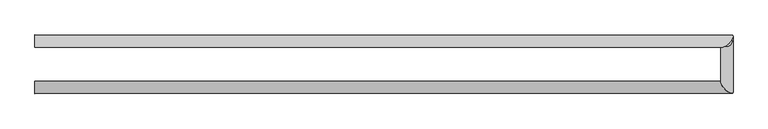
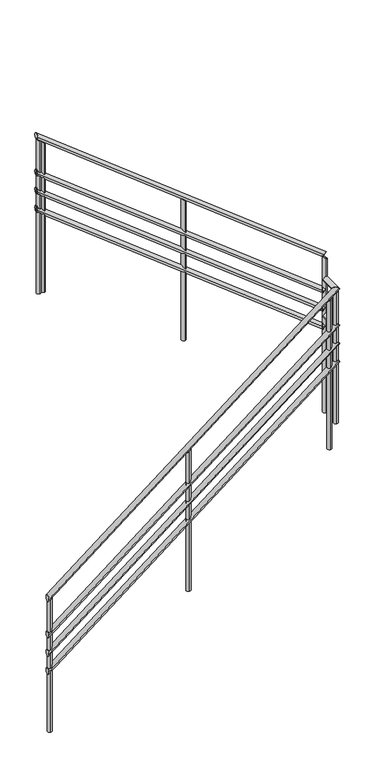
"""IFC4 building model written with IfcOpenShell, lengths in millimetres: railing geometry."""

import ifcopenshell
import ifcopenshell.guid

model = None  # the IFC model being written
_history = None  # IfcOwnerHistory: only IFC2X3 demands one
_inside = {}  # id of a spatial element -> (the spatial element, [elements in it])
_under = {}  # id of a project, library or spatial element -> (it, [spatial elements below it])
_declared = {}  # id of a project -> (the project, [libraries it declares])
_typed = {}  # id of a type object -> (the type object, [elements of that type])
_made_of = {}  # id of a material, layer set ... -> (it, [elements and type objects made of it])


def new_model(schema):
    """Start an empty IFC model of exactly this schema.

    Asked for "IFC4X3", IfcOpenShell would pick the latest addendum, in which some entities
    have other attributes; the version numbers below select the first issue.
    IFC2X3 requires an IfcOwnerHistory on every rooted entity: one is made here for all.
    """
    global model, _history
    if schema == "IFC4X3":
        model = ifcopenshell.file(schema_version=(4, 3, 0, 0))
    else:
        model = ifcopenshell.file(schema=schema)
    _inside.clear()
    _under.clear()
    _declared.clear()
    _typed.clear()
    _made_of.clear()
    _history = None
    if model.schema == "IFC2X3":
        org = make("IfcOrganization", Name="unknown")
        user = make(
            "IfcPersonAndOrganization",
            ThePerson=make("IfcPerson", FamilyName="unknown"),
            TheOrganization=org,
        )
        app = make(
            "IfcApplication",
            ApplicationDeveloper=org,
            Version="unknown",
            ApplicationFullName="unknown",
            ApplicationIdentifier="unknown",
        )
        _history = make(
            "IfcOwnerHistory",
            OwningUser=user,
            OwningApplication=app,
            ChangeAction="ADDED",
            CreationDate=0,
        )
    return model


def make(cls, **values):
    """One entity of the class cls with the attributes given. An attribute that is None is left unset."""
    return model.create_entity(
        cls, **{name: value for name, value in values.items() if value is not None}
    )


def rooted(cls, **values):
    """An entity with a GlobalId (a new one), such as an element, a storey or a relation."""
    return make(cls, GlobalId=ifcopenshell.guid.new(), OwnerHistory=_history, **values)


def si_unit(unit_type, name, prefix=None):
    """IfcSIUnit, for example si_unit("LENGTHUNIT", "METRE", prefix="MILLI")."""
    return make("IfcSIUnit", UnitType=unit_type, Prefix=prefix, Name=name)


def assignment(units):
    """IfcUnitAssignment: the units of a project."""
    return None if units is None else make("IfcUnitAssignment", Units=units)


def point(xyz):
    """IfcCartesianPoint."""
    return None if xyz is None else make("IfcCartesianPoint", Coordinates=xyz)


def direction(xyz):
    """IfcDirection."""
    return None if xyz is None else make("IfcDirection", DirectionRatios=xyz)


def frame(location, z_axis=None, x_axis=None):
    """IfcAxis2Placement3D, a coordinate frame: its origin and axes. An axis left out is left unset."""
    return make(
        "IfcAxis2Placement3D",
        Location=point(location),
        Axis=direction(z_axis),
        RefDirection=direction(x_axis),
    )


def origin():
    """The frame at (0, 0, 0) with its axes left unset."""
    return frame((0.0, 0.0, 0.0))


def place(relative_to, where):
    """IfcLocalPlacement: puts the frame where relative to a parent placement (None: the world)."""
    return make(
        "IfcLocalPlacement", PlacementRelTo=relative_to, RelativePlacement=where
    )


def context(
    kind, dimensions, precision=None, world=None, true_north=None, identifier=None
):
    """IfcGeometricRepresentationContext, for example the 3D "Model" context."""
    return make(
        "IfcGeometricRepresentationContext",
        ContextIdentifier=identifier,
        ContextType=kind,
        CoordinateSpaceDimension=dimensions,
        Precision=precision,
        WorldCoordinateSystem=world,
        TrueNorth=true_north,
    )


def project(units=None, contexts=None):
    """IfcProject with its units and contexts."""
    return rooted(
        "IfcProject",
        Name="project",
        RepresentationContexts=contexts,
        UnitsInContext=assignment(units),
    )


def spatial(cls, under=None, at=None, **own):
    """A site, building, storey or space (cls), placed at a placement, below another one or the project."""
    s = rooted(cls, ObjectPlacement=at, **own)
    if under is not None:
        _under.setdefault(under.id(), (under, []))[1].append(s)
    return s


def circle_curve(where, radius):
    """IfcCircle in the frame where."""
    return make("IfcCircle", Position=where, Radius=radius)


def ellipse_curve(where, semi_axis1, semi_axis2):
    """IfcEllipse in the frame where."""
    return make(
        "IfcEllipse", Position=where, SemiAxis1=semi_axis1, SemiAxis2=semi_axis2
    )


def shape(context_of_items, identifier, shape_type, items):
    """IfcShapeRepresentation: the items that make up one representation, for example the "Body"."""
    return make(
        "IfcShapeRepresentation",
        ContextOfItems=context_of_items,
        RepresentationIdentifier=identifier,
        RepresentationType=shape_type,
        Items=items,
    )


def source(mapping_origin, context_of_items, identifier, shape_type, items):
    """IfcRepresentationMap: a shape defined once, which mapped items show again and again."""
    return make(
        "IfcRepresentationMap",
        MappingOrigin=mapping_origin,
        MappedRepresentation=shape(context_of_items, identifier, shape_type, items),
    )


def transform(
    local_origin,
    x_axis=None,
    y_axis=None,
    z_axis=None,
    scale=None,
    scale2=None,
    scale3=None,
    uniform=True,
):
    """IfcCartesianTransformationOperator3D, or its non-uniform kind. x_axis, y_axis, z_axis: its Axis1, 2, 3."""
    if uniform:
        return make(
            "IfcCartesianTransformationOperator3D",
            Axis1=direction(x_axis),
            Axis2=direction(y_axis),
            LocalOrigin=point(local_origin),
            Scale=scale,
            Axis3=direction(z_axis),
        )
    return make(
        "IfcCartesianTransformationOperator3DnonUniform",
        Axis1=direction(x_axis),
        Axis2=direction(y_axis),
        LocalOrigin=point(local_origin),
        Scale=scale,
        Axis3=direction(z_axis),
        Scale2=scale2,
        Scale3=scale3,
    )


def mapped(mapping_source, mapping_target):
    """IfcMappedItem: shows the shape of a source again, moved by a transform."""
    return make(
        "IfcMappedItem", MappingSource=mapping_source, MappingTarget=mapping_target
    )


def made_of(thing, what):
    """Note that an element or type object is made of a material, layer set ...; save() writes the relation."""
    if what is not None:
        _made_of.setdefault(what.id(), (what, []))[1].append(thing)
    return thing


def element(
    cls,
    number,
    at=None,
    inside=None,
    cuts=None,
    type_object=None,
    material=None,
    context=None,
    identifier="Body",
    shape_type=None,
    held_by="IfcProductDefinitionShape",
    body=None,
    shapes=None,
    **own,
):
    """One element of the class cls, such as IfcWall. Its Tag is "e" and its number.

    at: its placement. inside: the storey or other place that contains it. cuts: it is an
    opening in that element (IfcRelVoidsElement). A single representation is given by context,
    identifier, shape_type and body (its items); several are given by shapes. held_by: the class
    of the entity that holds the representations. save() writes the other relations.
    """
    e = rooted(cls, Tag="e%d" % number, ObjectPlacement=at, **own)
    if body is not None:
        shapes = [shape(context, identifier, shape_type, body)]
    if shapes is not None:
        e.Representation = make(held_by, Representations=shapes)
    if inside is not None:
        _inside.setdefault(inside.id(), (inside, []))[1].append(e)
    if cuts is not None:
        rooted(
            "IfcRelVoidsElement", RelatingBuildingElement=cuts, RelatedOpeningElement=e
        )
    if type_object is not None:
        _typed.setdefault(type_object.id(), (type_object, []))[1].append(e)
    return made_of(e, material)


def aggregate(whole, parts):
    """IfcRelAggregates: a whole, such as a stair, and the parts it consists of."""
    return rooted("IfcRelAggregates", RelatingObject=whole, RelatedObjects=parts)


def save(model, path):
    """Write the relations noted so far, then the file.

    IfcRelAggregates (storeys below a building ...), IfcRelContainedInSpatialStructure (elements
    in a storey), IfcRelDefinesByType, IfcRelAssociatesMaterial and IfcRelDeclares: one each for
    every whole, place, type object, material and project.
    """
    for whole, parts in _under.values():
        aggregate(whole, parts)
    for where, things in _inside.values():
        rooted(
            "IfcRelContainedInSpatialStructure",
            RelatedElements=things,
            RelatingStructure=where,
        )
    for kind, things in _typed.values():
        rooted("IfcRelDefinesByType", RelatedObjects=things, RelatingType=kind)
    for what, things in _made_of.values():
        rooted("IfcRelAssociatesMaterial", RelatedObjects=things, RelatingMaterial=what)
    for by, libraries in _declared.values():
        rooted("IfcRelDeclares", RelatingContext=by, RelatedDefinitions=libraries)
    model.write(path)


def plane_surface(at):
    """IfcPlane: the flat surface through the origin of the frame at, square to its z axis."""
    return make("IfcPlane", Position=at)


def cylinder_surface(at, radius):
    """IfcCylindricalSurface: all points at the distance radius from the z axis of the frame at."""
    return make("IfcCylindricalSurface", Position=at, Radius=radius)


def advanced_brep(points, edges, surfaces, faces):
    """IfcAdvancedBrep: a solid bounded by faces that lie on surfaces and meet in shared edges.

    An edge is (start, end): straight between two places in points (the first is 0);
    or (start, end, curve); or (start, end, curve, False) where it runs against its curve.
    A face is (place in surfaces, loops), or (place, loops, False) where it looks against
    its surface's normal. A loop lists edges by number (the first is 1), with a minus sign
    where the edge is run from its end to its start. The first loop is the outer one.
    """
    corners = [point(p) for p in points]
    vertices = [make("IfcVertexPoint", VertexGeometry=c) for c in corners]
    made = []
    for start, end, *more in edges:
        made.append(
            make(
                "IfcEdgeCurve",
                EdgeStart=vertices[start],
                EdgeEnd=vertices[end],
                EdgeGeometry=more[0] if more else make("IfcPolyline", Points=[corners[start], corners[end]]),
                SameSense=more[1] if len(more) > 1 else True,
            )
        )
    hull = []
    for where, loops, *sense in faces:
        bounds = []
        for j, loop in enumerate(loops):
            ring = [make("IfcOrientedEdge", EdgeElement=made[abs(k) - 1], Orientation=k > 0) for k in loop]
            bounds.append(
                make(
                    "IfcFaceOuterBound" if j == 0 else "IfcFaceBound",
                    Bound=make("IfcEdgeLoop", EdgeList=ring),
                    Orientation=True,
                )
            )
        hull.append(make("IfcAdvancedFace", Bounds=bounds, FaceSurface=surfaces[where], SameSense=sense[0] if sense else True))
    return make("IfcAdvancedBrep", Outer=make("IfcClosedShell", CfsFaces=hull))


def railing_baf35b28(model_context):
    return source(origin(), model_context, "Body", "AdvancedBrep", [
        advanced_brep(
        [(-1795.9784025, 14829.6868987, 1982.6086957), (-1795.9784025, 14869.6868987, 1982.6086957), (469.7716975, 14829.6868987, 3755.8044261), (438.2714975, 14869.6868987, 3731.1520956)],
        [
            (0, 1, ellipse_curve(frame((-1795.9784025, 14849.6868987, 1982.6086957), z_axis=(-1.0, 0.0, 0.0), x_axis=(0.0, 0.0, -1.0)), 25.3966641, 20.0)),
            (1, 0, ellipse_curve(frame((-1795.9784025, 14849.6868987, 1982.6086957), z_axis=(-1.0, 0.0, 0.0), x_axis=(0.0, 0.0, -1.0)), 25.3966641, 20.0)),
            (2, 3, ellipse_curve(frame((454.0215975, 14849.6868987, 3743.4782609), z_axis=(0.5568501264307829, 0.7071067811865476, 0.43579575111974295), x_axis=(-0.556850126430783, 0.7071067811865474, -0.4357957511197431)), 28.2842712, 20.0)),
            (3, 2, ellipse_curve(frame((454.0215975, 14849.6868987, 3743.4782609), z_axis=(0.5568501264307829, 0.7071067811865476, 0.43579575111974295), x_axis=(-0.556850126430783, 0.7071067811865474, -0.4357957511197431)), 28.2842712, 20.0)),
            (0, 2),
            (3, 1),
        ],
        [
            plane_surface(frame((-1795.9784025, 14849.6868987, 1982.6086957), z_axis=(-1.0, 0.0, 0.0), x_axis=(0.0, 1.0, 0.0))),
            plane_surface(frame((454.0215975, 14849.6868987, 3743.4782609), z_axis=(0.556850126430783, 0.7071067811865477, 0.43579575111974306), x_axis=(0.8306129885175292, -0.4740504975807795, -0.29216123810217254))),
            cylinder_surface(frame((-1795.9784025, 14849.6868987, 1982.6086957), z_axis=(-0.787505001007586, 0.0, -0.6163082616581106), x_axis=(0.0, 1.0, 0.0)), 20.0),
        ],
        [
            (0, [[1, 2]]),
            (1, [[3, 4]]),
            (2, [[-1, 5, -4, 6]]),
            (2, [[-2, -6, -3, -5]]),
        ],
    ),
        advanced_brep(
        [(474.0215975, 14833.9367987, 3743.4782609), (434.0215975, 14865.4369987, 3743.4782609), (474.0215975, 15015.4369987, 3743.4782609), (434.0215975, 14983.9367987, 3743.4782609)],
        [
            (0, 1, ellipse_curve(frame((454.0215975, 14849.6868987, 3743.4782609), z_axis=(-0.5568501264307829, -0.7071067811865476, -0.43579575111974295), x_axis=(0.556850126430783, -0.7071067811865475, 0.43579575111974306)), 28.2842712, 20.0)),
            (1, 0, ellipse_curve(frame((454.0215975, 14849.6868987, 3743.4782609), z_axis=(-0.5568501264307829, -0.7071067811865476, -0.43579575111974295), x_axis=(0.556850126430783, -0.7071067811865475, 0.43579575111974306)), 28.2842712, 20.0)),
            (2, 3, ellipse_curve(frame((454.0215975, 14999.6868987, 3743.4782609), z_axis=(-0.5568501264307829, 0.7071067811865476, 0.4357957511197431), x_axis=(-0.556850126430783, -0.7071067811865475, 0.43579575111974317)), 28.2842712, 20.0)),
            (3, 2, ellipse_curve(frame((454.0215975, 14999.6868987, 3743.4782609), z_axis=(-0.5568501264307829, 0.7071067811865476, 0.4357957511197431), x_axis=(-0.556850126430783, -0.7071067811865475, 0.43579575111974317)), 28.2842712, 20.0)),
            (0, 2),
            (3, 1),
        ],
        [
            plane_surface(frame((454.0215975, 14849.6868987, 3743.4782609), z_axis=(-0.556850126430783, -0.7071067811865477, -0.43579575111974306), x_axis=(0.8306129885175292, -0.4740504975807795, -0.29216123810217254))),
            plane_surface(frame((454.0215975, 14999.6868987, 3743.4782609), z_axis=(-0.5568501264307829, 0.7071067811865476, 0.4357957511197431), x_axis=(0.8306129885175292, 0.4740504975807794, 0.29216123810217254))),
            cylinder_surface(frame((454.0215975, 14849.6868987, 3743.4782609), z_axis=(0.0, -1.0, 0.0), x_axis=(-1.0, 0.0, 0.0)), 20.0),
        ],
        [
            (0, [[1, 2]]),
            (1, [[3, 4]]),
            (2, [[-1, 5, -4, 6]]),
            (2, [[-2, -6, -3, -5]]),
        ],
    ),
        advanced_brep(
        [(469.7716975, 15019.6868987, 3926.8042695), (438.2714975, 14979.6868987, 3951.4566), (-1795.9784025, 15019.6868987, 5700.0), (-1795.9784025, 14979.6868987, 5700.0)],
        [
            (0, 1, ellipse_curve(frame((454.0215975, 14999.6868987, 3939.1304348), z_axis=(0.5568501264307829, -0.7071067811865476, -0.4357957511197431), x_axis=(0.5568501264307829, 0.7071067811865476, -0.4357957511197431)), 28.2842712, 20.0)),
            (1, 0, ellipse_curve(frame((454.0215975, 14999.6868987, 3939.1304348), z_axis=(0.5568501264307829, -0.7071067811865476, -0.4357957511197431), x_axis=(0.5568501264307829, 0.7071067811865476, -0.4357957511197431)), 28.2842712, 20.0)),
            (2, 3, ellipse_curve(frame((-1795.9784025, 14999.6868987, 5700.0), z_axis=(-1.0, 0.0, 0.0), x_axis=(0.0, 0.0, -1.0)), 25.3966641, 20.0)),
            (3, 2, ellipse_curve(frame((-1795.9784025, 14999.6868987, 5700.0), z_axis=(-1.0, 0.0, 0.0), x_axis=(0.0, 0.0, -1.0)), 25.3966641, 20.0)),
            (0, 2),
            (3, 1),
        ],
        [
            plane_surface(frame((454.0215975, 14999.6868987, 3939.1304348), z_axis=(0.5568501264307829, -0.7071067811865476, -0.4357957511197431), x_axis=(0.8306129885175292, 0.4740504975807794, 0.29216123810217254))),
            plane_surface(frame((-1795.9784025, 14999.6868987, 5700.0), z_axis=(-1.0, 0.0, 0.0), x_axis=(0.0, -1.0, 0.0))),
            cylinder_surface(frame((454.0215975, 14999.6868987, 3939.1304348), z_axis=(0.7875050010075859, 0.0, -0.6163082616581107), x_axis=(0.0, -1.0, 0.0)), 20.0),
        ],
        [
            (0, [[1, 2]]),
            (1, [[3, 4]]),
            (2, [[-1, 5, -4, 6]]),
            (2, [[-2, -6, -3, -5]]),
        ],
    ),
        advanced_brep(
        [(-1795.9784025, 14829.6868987, 1682.6086957), (-1795.9784025, 14869.6868987, 1682.6086957), (469.7716975, 14829.6868987, 3455.8044261), (438.2714975, 14869.6868987, 3431.1520956)],
        [
            (0, 1, ellipse_curve(frame((-1795.9784025, 14849.6868987, 1682.6086957), z_axis=(-1.0, 0.0, 0.0), x_axis=(0.0, 0.0, -1.0)), 25.3966641, 20.0)),
            (1, 0, ellipse_curve(frame((-1795.9784025, 14849.6868987, 1682.6086957), z_axis=(-1.0, 0.0, 0.0), x_axis=(0.0, 0.0, -1.0)), 25.3966641, 20.0)),
            (2, 3, ellipse_curve(frame((454.0215975, 14849.6868987, 3443.4782609), z_axis=(0.5568501264307829, 0.7071067811865476, 0.43579575111974295), x_axis=(-0.556850126430783, 0.7071067811865474, -0.4357957511197431)), 28.2842712, 20.0)),
            (3, 2, ellipse_curve(frame((454.0215975, 14849.6868987, 3443.4782609), z_axis=(0.5568501264307829, 0.7071067811865476, 0.43579575111974295), x_axis=(-0.556850126430783, 0.7071067811865474, -0.4357957511197431)), 28.2842712, 20.0)),
            (0, 2),
            (3, 1),
        ],
        [
            plane_surface(frame((-1795.9784025, 14849.6868987, 1682.6086957), z_axis=(-1.0, 0.0, 0.0), x_axis=(0.0, 1.0, 0.0))),
            plane_surface(frame((454.0215975, 14849.6868987, 3443.4782609), z_axis=(0.556850126430783, 0.7071067811865477, 0.43579575111974306), x_axis=(0.8306129885175292, -0.4740504975807795, -0.29216123810217254))),
            cylinder_surface(frame((-1795.9784025, 14849.6868987, 1682.6086957), z_axis=(-0.787505001007586, 0.0, -0.6163082616581106), x_axis=(0.0, 1.0, 0.0)), 20.0),
        ],
        [
            (0, [[1, 2]]),
            (1, [[3, 4]]),
            (2, [[-1, 5, -4, 6]]),
            (2, [[-2, -6, -3, -5]]),
        ],
    ),
        advanced_brep(
        [(474.0215975, 14833.9367987, 3443.4782609), (434.0215975, 14865.4369987, 3443.4782609), (474.0215975, 15015.4369987, 3443.4782609), (434.0215975, 14983.9367987, 3443.4782609)],
        [
            (0, 1, ellipse_curve(frame((454.0215975, 14849.6868987, 3443.4782609), z_axis=(-0.5568501264307829, -0.7071067811865476, -0.43579575111974295), x_axis=(0.556850126430783, -0.7071067811865475, 0.43579575111974306)), 28.2842712, 20.0)),
            (1, 0, ellipse_curve(frame((454.0215975, 14849.6868987, 3443.4782609), z_axis=(-0.5568501264307829, -0.7071067811865476, -0.43579575111974295), x_axis=(0.556850126430783, -0.7071067811865475, 0.43579575111974306)), 28.2842712, 20.0)),
            (2, 3, ellipse_curve(frame((454.0215975, 14999.6868987, 3443.4782609), z_axis=(-0.5568501264307829, 0.7071067811865476, 0.4357957511197431), x_axis=(-0.556850126430783, -0.7071067811865475, 0.43579575111974317)), 28.2842712, 20.0)),
            (3, 2, ellipse_curve(frame((454.0215975, 14999.6868987, 3443.4782609), z_axis=(-0.5568501264307829, 0.7071067811865476, 0.4357957511197431), x_axis=(-0.556850126430783, -0.7071067811865475, 0.43579575111974317)), 28.2842712, 20.0)),
            (0, 2),
            (3, 1),
        ],
        [
            plane_surface(frame((454.0215975, 14849.6868987, 3443.4782609), z_axis=(-0.556850126430783, -0.7071067811865477, -0.43579575111974306), x_axis=(0.8306129885175292, -0.4740504975807795, -0.29216123810217254))),
            plane_surface(frame((454.0215975, 14999.6868987, 3443.4782609), z_axis=(-0.5568501264307829, 0.7071067811865476, 0.4357957511197431), x_axis=(0.8306129885175292, 0.4740504975807794, 0.29216123810217254))),
            cylinder_surface(frame((454.0215975, 14849.6868987, 3443.4782609), z_axis=(0.0, -1.0, 0.0), x_axis=(-1.0, 0.0, 0.0)), 20.0),
        ],
        [
            (0, [[1, 2]]),
            (1, [[3, 4]]),
            (2, [[-1, 5, -4, 6]]),
            (2, [[-2, -6, -3, -5]]),
        ],
    ),
        advanced_brep(
        [(469.7716975, 15019.6868987, 3626.8042695), (438.2714975, 14979.6868987, 3651.4566), (-1795.9784025, 15019.6868987, 5400.0), (-1795.9784025, 14979.6868987, 5400.0)],
        [
            (0, 1, ellipse_curve(frame((454.0215975, 14999.6868987, 3639.1304348), z_axis=(0.5568501264307829, -0.7071067811865476, -0.4357957511197431), x_axis=(0.5568501264307829, 0.7071067811865476, -0.4357957511197431)), 28.2842712, 20.0)),
            (1, 0, ellipse_curve(frame((454.0215975, 14999.6868987, 3639.1304348), z_axis=(0.5568501264307829, -0.7071067811865476, -0.4357957511197431), x_axis=(0.5568501264307829, 0.7071067811865476, -0.4357957511197431)), 28.2842712, 20.0)),
            (2, 3, ellipse_curve(frame((-1795.9784025, 14999.6868987, 5400.0), z_axis=(-1.0, 0.0, 0.0), x_axis=(0.0, 0.0, -1.0)), 25.3966641, 20.0)),
            (3, 2, ellipse_curve(frame((-1795.9784025, 14999.6868987, 5400.0), z_axis=(-1.0, 0.0, 0.0), x_axis=(0.0, 0.0, -1.0)), 25.3966641, 20.0)),
            (0, 2),
            (3, 1),
        ],
        [
            plane_surface(frame((454.0215975, 14999.6868987, 3639.1304348), z_axis=(0.5568501264307829, -0.7071067811865476, -0.4357957511197431), x_axis=(0.8306129885175292, 0.4740504975807794, 0.29216123810217254))),
            plane_surface(frame((-1795.9784025, 14999.6868987, 5400.0), z_axis=(-1.0, 0.0, 0.0), x_axis=(0.0, -1.0, 0.0))),
            cylinder_surface(frame((454.0215975, 14999.6868987, 3639.1304348), z_axis=(0.7875050010075859, 0.0, -0.6163082616581107), x_axis=(0.0, -1.0, 0.0)), 20.0),
        ],
        [
            (0, [[1, 2]]),
            (1, [[3, 4]]),
            (2, [[-1, 5, -4, 6]]),
            (2, [[-2, -6, -3, -5]]),
        ],
    ),
        advanced_brep(
        [(-1795.9784025, 14829.6868987, 1532.6086957), (-1795.9784025, 14869.6868987, 1532.6086957), (469.7716975, 14829.6868987, 3305.8044261), (438.2714975, 14869.6868987, 3281.1520956)],
        [
            (0, 1, ellipse_curve(frame((-1795.9784025, 14849.6868987, 1532.6086957), z_axis=(-1.0, 0.0, 0.0), x_axis=(0.0, 0.0, -1.0)), 25.3966641, 20.0)),
            (1, 0, ellipse_curve(frame((-1795.9784025, 14849.6868987, 1532.6086957), z_axis=(-1.0, 0.0, 0.0), x_axis=(0.0, 0.0, -1.0)), 25.3966641, 20.0)),
            (2, 3, ellipse_curve(frame((454.0215975, 14849.6868987, 3293.4782609), z_axis=(0.5568501264307829, 0.7071067811865476, 0.43579575111974295), x_axis=(-0.556850126430783, 0.7071067811865474, -0.4357957511197431)), 28.2842712, 20.0)),
            (3, 2, ellipse_curve(frame((454.0215975, 14849.6868987, 3293.4782609), z_axis=(0.5568501264307829, 0.7071067811865476, 0.43579575111974295), x_axis=(-0.556850126430783, 0.7071067811865474, -0.4357957511197431)), 28.2842712, 20.0)),
            (0, 2),
            (3, 1),
        ],
        [
            plane_surface(frame((-1795.9784025, 14849.6868987, 1532.6086957), z_axis=(-1.0, 0.0, 0.0), x_axis=(0.0, 1.0, 0.0))),
            plane_surface(frame((454.0215975, 14849.6868987, 3293.4782609), z_axis=(0.556850126430783, 0.7071067811865477, 0.43579575111974306), x_axis=(0.8306129885175292, -0.4740504975807795, -0.29216123810217254))),
            cylinder_surface(frame((-1795.9784025, 14849.6868987, 1532.6086957), z_axis=(-0.787505001007586, 0.0, -0.6163082616581106), x_axis=(0.0, 1.0, 0.0)), 20.0),
        ],
        [
            (0, [[1, 2]]),
            (1, [[3, 4]]),
            (2, [[-1, 5, -4, 6]]),
            (2, [[-2, -6, -3, -5]]),
        ],
    ),
        advanced_brep(
        [(474.0215975, 14833.9367987, 3293.4782609), (434.0215975, 14865.4369987, 3293.4782609), (474.0215975, 15015.4369987, 3293.4782609), (434.0215975, 14983.9367987, 3293.4782609)],
        [
            (0, 1, ellipse_curve(frame((454.0215975, 14849.6868987, 3293.4782609), z_axis=(-0.5568501264307829, -0.7071067811865476, -0.43579575111974295), x_axis=(0.556850126430783, -0.7071067811865475, 0.43579575111974306)), 28.2842712, 20.0)),
            (1, 0, ellipse_curve(frame((454.0215975, 14849.6868987, 3293.4782609), z_axis=(-0.5568501264307829, -0.7071067811865476, -0.43579575111974295), x_axis=(0.556850126430783, -0.7071067811865475, 0.43579575111974306)), 28.2842712, 20.0)),
            (2, 3, ellipse_curve(frame((454.0215975, 14999.6868987, 3293.4782609), z_axis=(-0.5568501264307828, 0.7071067811865475, 0.43579575111974317), x_axis=(-0.5568501264307827, -0.7071067811865476, 0.4357957511197431)), 28.2842712, 20.0)),
            (3, 2, ellipse_curve(frame((454.0215975, 14999.6868987, 3293.4782609), z_axis=(-0.5568501264307828, 0.7071067811865475, 0.43579575111974317), x_axis=(-0.5568501264307827, -0.7071067811865476, 0.4357957511197431)), 28.2842712, 20.0)),
            (0, 2),
            (3, 1),
        ],
        [
            plane_surface(frame((454.0215975, 14849.6868987, 3293.4782609), z_axis=(-0.556850126430783, -0.7071067811865477, -0.43579575111974306), x_axis=(0.8306129885175292, -0.4740504975807795, -0.29216123810217254))),
            plane_surface(frame((454.0215975, 14999.6868987, 3293.4782609), z_axis=(-0.5568501264307829, 0.7071067811865476, 0.4357957511197433), x_axis=(0.8306129885175293, 0.47405049758077933, 0.2921612381021726))),
            cylinder_surface(frame((454.0215975, 14849.6868987, 3293.4782609), z_axis=(0.0, -1.0, 0.0), x_axis=(-1.0, 0.0, 0.0)), 20.0),
        ],
        [
            (0, [[1, 2]]),
            (1, [[3, 4]]),
            (2, [[-1, 5, -4, 6]]),
            (2, [[-2, -6, -3, -5]]),
        ],
    ),
        advanced_brep(
        [(469.7716975, 15019.6868987, 3476.8042695), (438.2714975, 14979.6868987, 3501.4566), (-1795.9784025, 15019.6868987, 5250.0), (-1795.9784025, 14979.6868987, 5250.0)],
        [
            (0, 1, ellipse_curve(frame((454.0215975, 14999.6868987, 3489.1304348), z_axis=(0.5568501264307828, -0.7071067811865475, -0.43579575111974317), x_axis=(0.556850126430783, 0.7071067811865475, -0.43579575111974334)), 28.2842712, 20.0)),
            (1, 0, ellipse_curve(frame((454.0215975, 14999.6868987, 3489.1304348), z_axis=(0.5568501264307828, -0.7071067811865475, -0.43579575111974317), x_axis=(0.556850126430783, 0.7071067811865475, -0.43579575111974334)), 28.2842712, 20.0)),
            (2, 3, ellipse_curve(frame((-1795.9784025, 14999.6868987, 5250.0), z_axis=(-1.0, 0.0, 0.0), x_axis=(0.0, 0.0, -1.0)), 25.3966641, 20.0)),
            (3, 2, ellipse_curve(frame((-1795.9784025, 14999.6868987, 5250.0), z_axis=(-1.0, 0.0, 0.0), x_axis=(0.0, 0.0, -1.0)), 25.3966641, 20.0)),
            (0, 2),
            (3, 1),
        ],
        [
            plane_surface(frame((454.0215975, 14999.6868987, 3489.1304348), z_axis=(0.5568501264307829, -0.7071067811865476, -0.4357957511197433), x_axis=(0.8306129885175293, 0.47405049758077933, 0.2921612381021726))),
            plane_surface(frame((-1795.9784025, 14999.6868987, 5250.0), z_axis=(-1.0, 0.0, 0.0), x_axis=(0.0, -1.0, 0.0))),
            cylinder_surface(frame((454.0215975, 14999.6868987, 3489.1304348), z_axis=(0.7875050010075858, 0.0, -0.6163082616581108), x_axis=(0.0, -1.0, 0.0)), 20.0),
        ],
        [
            (0, [[1, 2]]),
            (1, [[3, 4]]),
            (2, [[-1, 5, -4, 6]]),
            (2, [[-2, -6, -3, -5]]),
        ],
    ),
        advanced_brep(
        [(-1795.9784025, 14829.6868987, 1382.6086957), (-1795.9784025, 14869.6868987, 1382.6086957), (469.7716975, 14829.6868987, 3155.8044261), (438.2714975, 14869.6868987, 3131.1520956)],
        [
            (0, 1, ellipse_curve(frame((-1795.9784025, 14849.6868987, 1382.6086957), z_axis=(-1.0, 0.0, 0.0), x_axis=(0.0, 0.0, -1.0)), 25.3966641, 20.0)),
            (1, 0, ellipse_curve(frame((-1795.9784025, 14849.6868987, 1382.6086957), z_axis=(-1.0, 0.0, 0.0), x_axis=(0.0, 0.0, -1.0)), 25.3966641, 20.0)),
            (2, 3, ellipse_curve(frame((454.0215975, 14849.6868987, 3143.4782609), z_axis=(0.5568501264307829, 0.7071067811865476, 0.43579575111974295), x_axis=(-0.556850126430783, 0.7071067811865474, -0.4357957511197431)), 28.2842712, 20.0)),
            (3, 2, ellipse_curve(frame((454.0215975, 14849.6868987, 3143.4782609), z_axis=(0.5568501264307829, 0.7071067811865476, 0.43579575111974295), x_axis=(-0.556850126430783, 0.7071067811865474, -0.4357957511197431)), 28.2842712, 20.0)),
            (0, 2),
            (3, 1),
        ],
        [
            plane_surface(frame((-1795.9784025, 14849.6868987, 1382.6086957), z_axis=(-1.0, 0.0, 0.0), x_axis=(0.0, 1.0, 0.0))),
            plane_surface(frame((454.0215975, 14849.6868987, 3143.4782609), z_axis=(0.556850126430783, 0.7071067811865477, 0.43579575111974306), x_axis=(0.8306129885175292, -0.4740504975807795, -0.29216123810217254))),
            cylinder_surface(frame((-1795.9784025, 14849.6868987, 1382.6086957), z_axis=(-0.787505001007586, 0.0, -0.6163082616581106), x_axis=(0.0, 1.0, 0.0)), 20.0),
        ],
        [
            (0, [[1, 2]]),
            (1, [[3, 4]]),
            (2, [[-1, 5, -4, 6]]),
            (2, [[-2, -6, -3, -5]]),
        ],
    ),
        advanced_brep(
        [(474.0215975, 14833.9367987, 3143.4782609), (434.0215975, 14865.4369987, 3143.4782609), (474.0215975, 15015.4369987, 3143.4782609), (434.0215975, 14983.9367987, 3143.4782609)],
        [
            (0, 1, ellipse_curve(frame((454.0215975, 14849.6868987, 3143.4782609), z_axis=(-0.5568501264307829, -0.7071067811865476, -0.43579575111974295), x_axis=(0.556850126430783, -0.7071067811865475, 0.43579575111974306)), 28.2842712, 20.0)),
            (1, 0, ellipse_curve(frame((454.0215975, 14849.6868987, 3143.4782609), z_axis=(-0.5568501264307829, -0.7071067811865476, -0.43579575111974295), x_axis=(0.556850126430783, -0.7071067811865475, 0.43579575111974306)), 28.2842712, 20.0)),
            (2, 3, ellipse_curve(frame((454.0215975, 14999.6868987, 3143.4782609), z_axis=(-0.5568501264307829, 0.7071067811865476, 0.4357957511197431), x_axis=(-0.556850126430783, -0.7071067811865475, 0.43579575111974317)), 28.2842712, 20.0)),
            (3, 2, ellipse_curve(frame((454.0215975, 14999.6868987, 3143.4782609), z_axis=(-0.5568501264307829, 0.7071067811865476, 0.4357957511197431), x_axis=(-0.556850126430783, -0.7071067811865475, 0.43579575111974317)), 28.2842712, 20.0)),
            (0, 2),
            (3, 1),
        ],
        [
            plane_surface(frame((454.0215975, 14849.6868987, 3143.4782609), z_axis=(-0.556850126430783, -0.7071067811865477, -0.43579575111974306), x_axis=(0.8306129885175292, -0.4740504975807795, -0.29216123810217254))),
            plane_surface(frame((454.0215975, 14999.6868987, 3143.4782609), z_axis=(-0.5568501264307829, 0.7071067811865476, 0.4357957511197431), x_axis=(0.8306129885175292, 0.4740504975807794, 0.29216123810217254))),
            cylinder_surface(frame((454.0215975, 14849.6868987, 3143.4782609), z_axis=(0.0, -1.0, 0.0), x_axis=(-1.0, 0.0, 0.0)), 20.0),
        ],
        [
            (0, [[1, 2]]),
            (1, [[3, 4]]),
            (2, [[-1, 5, -4, 6]]),
            (2, [[-2, -6, -3, -5]]),
        ],
    ),
        advanced_brep(
        [(469.7716975, 15019.6868987, 3326.8042695), (438.2714975, 14979.6868987, 3351.4566), (-1795.9784025, 15019.6868987, 5100.0), (-1795.9784025, 14979.6868987, 5100.0)],
        [
            (0, 1, ellipse_curve(frame((454.0215975, 14999.6868987, 3339.1304348), z_axis=(0.5568501264307829, -0.7071067811865476, -0.4357957511197431), x_axis=(0.5568501264307829, 0.7071067811865476, -0.4357957511197431)), 28.2842712, 20.0)),
            (1, 0, ellipse_curve(frame((454.0215975, 14999.6868987, 3339.1304348), z_axis=(0.5568501264307829, -0.7071067811865476, -0.4357957511197431), x_axis=(0.5568501264307829, 0.7071067811865476, -0.4357957511197431)), 28.2842712, 20.0)),
            (2, 3, ellipse_curve(frame((-1795.9784025, 14999.6868987, 5100.0), z_axis=(-1.0, 0.0, 0.0), x_axis=(0.0, 0.0, -1.0)), 25.3966641, 20.0)),
            (3, 2, ellipse_curve(frame((-1795.9784025, 14999.6868987, 5100.0), z_axis=(-1.0, 0.0, 0.0), x_axis=(0.0, 0.0, -1.0)), 25.3966641, 20.0)),
            (0, 2),
            (3, 1),
        ],
        [
            plane_surface(frame((454.0215975, 14999.6868987, 3339.1304348), z_axis=(0.5568501264307829, -0.7071067811865476, -0.4357957511197431), x_axis=(0.8306129885175292, 0.4740504975807794, 0.29216123810217254))),
            plane_surface(frame((-1795.9784025, 14999.6868987, 5100.0), z_axis=(-1.0, 0.0, 0.0), x_axis=(0.0, -1.0, 0.0))),
            cylinder_surface(frame((454.0215975, 14999.6868987, 3339.1304348), z_axis=(0.7875050010075859, 0.0, -0.6163082616581107), x_axis=(0.0, -1.0, 0.0)), 20.0),
        ],
        [
            (0, [[1, 2]]),
            (1, [[3, 4]]),
            (2, [[-1, 5, -4, 6]]),
            (2, [[-2, -6, -3, -5]]),
        ],
    ),
        advanced_brep(
        [(-1745.9784025, 14982.6868987, 5635.4729011), (-1745.9784025, 15016.6868987, 5635.4729011), (-1745.9784025, 15016.6868987, 4404.3478261), (-1745.9784025, 14982.6868987, 4404.3478261)],
        [
            (0, 1, ellipse_curve(frame((-1745.9784025, 14999.6868987, 5635.4729011), z_axis=(-0.6163082616581099, 0.0, -0.7875050010075866), x_axis=(-0.7875050010075867, 0.0, 0.6163082616581096)), 21.5871645, 17.0)),
            (1, 2),
            (2, 3, circle_curve(frame((-1745.9784025, 14999.6868987, 4404.3478261), z_axis=(0.0, 0.0, 1.0), x_axis=(0.0, 1.0, 0.0)), 17.0)),
            (3, 0),
            (3, 2, circle_curve(frame((-1745.9784025, 14999.6868987, 4404.3478261), z_axis=(0.0, 0.0, 1.0), x_axis=(0.0, 1.0, 0.0)), 17.0)),
            (1, 0, ellipse_curve(frame((-1745.9784025, 14999.6868987, 5635.4729011), z_axis=(-0.6163082616581099, 0.0, -0.7875050010075866), x_axis=(-0.7875050010075867, 0.0, 0.6163082616581096)), 21.5871645, 17.0)),
        ],
        [
            cylinder_surface(frame((-1745.9784025, 14999.6868987, 4304.3478261), z_axis=(0.0, 0.0, 1.0), x_axis=(0.0, 1.0, 0.0)), 17.0),
            plane_surface(frame((-1779.9784025, 15033.6868987, 5662.0815968), z_axis=(0.6163082616581099, 0.0, 0.7875050010075866), x_axis=(0.0, -1.0, 0.0))),
            plane_surface(frame((-1711.9784025, 15033.6868987, 4404.3478261), z_axis=(0.0, 0.0, -1.0), x_axis=(0.0, -1.0, 0.0))),
        ],
        [
            (0, [[1, 2, 3, 4]]),
            (0, [[5, -2, 6, -4]]),
            (1, [[-6, -1]]),
            (2, [[-5, -3]]),
        ],
    ),
        advanced_brep(
        [(-645.9784025, 14982.6868987, 4774.6033359), (-645.9784025, 15016.6868987, 4774.6033359), (-645.9784025, 15016.6868987, 3621.7391304), (-645.9784025, 14982.6868987, 3621.7391304)],
        [
            (0, 1, ellipse_curve(frame((-645.9784025, 14999.6868987, 4774.6033359), z_axis=(-0.6163082616581108, 0.0, -0.7875050010075858), x_axis=(-0.7875050010075859, 0.0, 0.6163082616581107)), 21.5871645, 17.0)),
            (1, 2),
            (2, 3, circle_curve(frame((-645.9784025, 14999.6868987, 3621.7391304), z_axis=(0.0, 0.0, 1.0), x_axis=(0.0, 1.0, 0.0)), 17.0)),
            (3, 0),
            (3, 2, circle_curve(frame((-645.9784025, 14999.6868987, 3621.7391304), z_axis=(0.0, 0.0, 1.0), x_axis=(0.0, 1.0, 0.0)), 17.0)),
            (1, 0, ellipse_curve(frame((-645.9784025, 14999.6868987, 4774.6033359), z_axis=(-0.6163082616581108, 0.0, -0.7875050010075858), x_axis=(-0.7875050010075859, 0.0, 0.6163082616581107)), 21.5871645, 17.0)),
        ],
        [
            cylinder_surface(frame((-645.9784025, 14999.6868987, 3521.7391304), z_axis=(0.0, 0.0, 1.0), x_axis=(0.0, 1.0, 0.0)), 17.0),
            plane_surface(frame((-679.9784025, 15033.6868987, 4801.2120315), z_axis=(0.6163082616581108, 0.0, 0.7875050010075858), x_axis=(0.0, -1.0, 0.0))),
            plane_surface(frame((-611.9784025, 15033.6868987, 3621.7391304), z_axis=(0.0, 0.0, -1.0), x_axis=(0.0, -1.0, 0.0))),
        ],
        [
            (0, [[1, 2, 3, 4]]),
            (0, [[5, -2, 6, -4]]),
            (1, [[-6, -1]]),
            (2, [[-5, -3]]),
        ],
    ),
        advanced_brep(
        [(404.0215975, 14866.6868987, 3678.951162), (404.0215975, 14832.6868987, 3678.951162), (404.0215975, 14832.6868987, 2447.826087), (404.0215975, 14866.6868987, 2447.826087)],
        [
            (0, 1, ellipse_curve(frame((404.0215975, 14849.6868987, 3678.951162), z_axis=(0.6163082616581099, 0.0, -0.7875050010075866), x_axis=(0.7875050010075867, 0.0, 0.6163082616581096)), 21.5871645, 17.0)),
            (1, 2),
            (2, 3, circle_curve(frame((404.0215975, 14849.6868987, 2447.826087), z_axis=(0.0, 0.0, 1.0), x_axis=(0.0, -1.0, 0.0)), 17.0)),
            (3, 0),
            (3, 2, circle_curve(frame((404.0215975, 14849.6868987, 2447.826087), z_axis=(0.0, 0.0, 1.0), x_axis=(0.0, -1.0, 0.0)), 17.0)),
            (1, 0, ellipse_curve(frame((404.0215975, 14849.6868987, 3678.951162), z_axis=(0.6163082616581099, 0.0, -0.7875050010075866), x_axis=(0.7875050010075867, 0.0, 0.6163082616581096)), 21.5871645, 17.0)),
        ],
        [
            cylinder_surface(frame((404.0215975, 14849.6868987, 2347.826087), z_axis=(0.0, 0.0, 1.0), x_axis=(0.0, -1.0, 0.0)), 17.0),
            plane_surface(frame((438.0215975, 14815.6868987, 3705.5598576), z_axis=(-0.6163082616581099, 0.0, 0.7875050010075866), x_axis=(0.0, 1.0, 0.0))),
            plane_surface(frame((370.0215975, 14815.6868987, 2447.826087), z_axis=(0.0, 0.0, -1.0), x_axis=(0.0, 1.0, 0.0))),
        ],
        [
            (0, [[1, 2, 3, 4]]),
            (0, [[5, -2, 6, -4]]),
            (1, [[-6, -1]]),
            (2, [[-5, -3]]),
        ],
    ),
        advanced_brep(
        [(-695.9784025, 14866.6868987, 2818.0815968), (-695.9784025, 14832.6868987, 2818.0815968), (-695.9784025, 14832.6868987, 1665.2173913), (-695.9784025, 14866.6868987, 1665.2173913)],
        [
            (0, 1, ellipse_curve(frame((-695.9784025, 14849.6868987, 2818.0815968), z_axis=(0.6163082616581108, 0.0, -0.7875050010075858), x_axis=(0.7875050010075859, 0.0, 0.6163082616581107)), 21.5871645, 17.0)),
            (1, 2),
            (2, 3, circle_curve(frame((-695.9784025, 14849.6868987, 1665.2173913), z_axis=(0.0, 0.0, 1.0), x_axis=(0.0, -1.0, 0.0)), 17.0)),
            (3, 0),
            (3, 2, circle_curve(frame((-695.9784025, 14849.6868987, 1665.2173913), z_axis=(0.0, 0.0, 1.0), x_axis=(0.0, -1.0, 0.0)), 17.0)),
            (1, 0, ellipse_curve(frame((-695.9784025, 14849.6868987, 2818.0815968), z_axis=(0.6163082616581108, 0.0, -0.7875050010075858), x_axis=(0.7875050010075859, 0.0, 0.6163082616581107)), 21.5871645, 17.0)),
        ],
        [
            cylinder_surface(frame((-695.9784025, 14849.6868987, 1565.2173913), z_axis=(0.0, 0.0, 1.0), x_axis=(0.0, -1.0, 0.0)), 17.0),
            plane_surface(frame((-661.9784025, 14815.6868987, 2844.6902924), z_axis=(-0.6163082616581108, 0.0, 0.7875050010075858), x_axis=(0.0, 1.0, 0.0))),
            plane_surface(frame((-729.9784025, 14815.6868987, 1665.2173913), z_axis=(0.0, 0.0, -1.0), x_axis=(0.0, 1.0, 0.0))),
        ],
        [
            (0, [[1, 2, 3, 4]]),
            (0, [[5, -2, 6, -4]]),
            (1, [[-6, -1]]),
            (2, [[-5, -3]]),
        ],
    ),
        advanced_brep(
        [(454.0215975, 14982.6868987, 3913.7337707), (454.0215975, 15016.6868987, 3913.7337707), (454.0215975, 15016.6868987, 2643.4782609), (454.0215975, 14982.6868987, 2643.4782609)],
        [
            (0, 1, ellipse_curve(frame((454.0215975, 14999.6868987, 3913.7337707), z_axis=(-0.6163082616581108, 0.0, -0.7875050010075858), x_axis=(-0.7875050010075859, 0.0, 0.6163082616581107)), 21.5871645, 17.0)),
            (1, 2),
            (2, 3, circle_curve(frame((454.0215975, 14999.6868987, 2643.4782609), z_axis=(0.0, 0.0, 1.0), x_axis=(0.0, 1.0, 0.0)), 17.0)),
            (3, 0),
            (3, 2, circle_curve(frame((454.0215975, 14999.6868987, 2643.4782609), z_axis=(0.0, 0.0, 1.0), x_axis=(0.0, 1.0, 0.0)), 17.0)),
            (1, 0, ellipse_curve(frame((454.0215975, 14999.6868987, 3913.7337707), z_axis=(-0.6163082616581108, 0.0, -0.7875050010075858), x_axis=(-0.7875050010075859, 0.0, 0.6163082616581107)), 21.5871645, 17.0)),
        ],
        [
            cylinder_surface(frame((454.0215975, 14999.6868987, 2543.4782609), z_axis=(0.0, 0.0, 1.0), x_axis=(0.0, 1.0, 0.0)), 17.0),
            plane_surface(frame((420.0215975, 15033.6868987, 3940.3424663), z_axis=(0.6163082616581108, 0.0, 0.7875050010075858), x_axis=(0.0, -1.0, 0.0))),
            plane_surface(frame((488.0215975, 15033.6868987, 2643.4782609), z_axis=(0.0, 0.0, -1.0), x_axis=(0.0, -1.0, 0.0))),
        ],
        [
            (0, [[1, 2, 3, 4]]),
            (0, [[5, -2, 6, -4]]),
            (1, [[-6, -1]]),
            (2, [[-5, -3]]),
        ],
    ),
        advanced_brep(
        [(454.0215975, 14866.6868987, 3718.0815968), (454.0215975, 14832.6868987, 3718.0815968), (454.0215975, 14832.6868987, 2643.4782609), (454.0215975, 14866.6868987, 2643.4782609)],
        [
            (0, 1, ellipse_curve(frame((454.0215975, 14849.6868987, 3718.0815968), z_axis=(0.6163082616581099, 0.0, -0.7875050010075866), x_axis=(0.7875050010075867, 0.0, 0.6163082616581096)), 21.5871645, 17.0)),
            (1, 2),
            (2, 3, circle_curve(frame((454.0215975, 14849.6868987, 2643.4782609), z_axis=(0.0, 0.0, 1.0), x_axis=(0.0, -1.0, 0.0)), 17.0)),
            (3, 0),
            (3, 2, circle_curve(frame((454.0215975, 14849.6868987, 2643.4782609), z_axis=(0.0, 0.0, 1.0), x_axis=(0.0, -1.0, 0.0)), 17.0)),
            (1, 0, ellipse_curve(frame((454.0215975, 14849.6868987, 3718.0815968), z_axis=(0.6163082616581099, 0.0, -0.7875050010075866), x_axis=(0.7875050010075867, 0.0, 0.6163082616581096)), 21.5871645, 17.0)),
        ],
        [
            cylinder_surface(frame((454.0215975, 14849.6868987, 2543.4782609), z_axis=(0.0, 0.0, 1.0), x_axis=(0.0, -1.0, 0.0)), 17.0),
            plane_surface(frame((488.0215975, 14815.6868987, 3744.6902924), z_axis=(-0.6163082616581099, 0.0, 0.7875050010075866), x_axis=(0.0, 1.0, 0.0))),
            plane_surface(frame((420.0215975, 14815.6868987, 2643.4782609), z_axis=(0.0, 0.0, -1.0), x_axis=(0.0, 1.0, 0.0))),
        ],
        [
            (0, [[1, 2, 3, 4]]),
            (0, [[5, -2, 6, -4]]),
            (1, [[-6, -1]]),
            (2, [[-5, -3]]),
        ],
    ),
        advanced_brep(
        [(-1778.9784025, 14982.6868987, 5661.2989881), (-1778.9784025, 15016.6868987, 5661.2989881), (-1778.9784025, 15016.6868987, 4404.3478261), (-1778.9784025, 14982.6868987, 4404.3478261)],
        [
            (0, 1, ellipse_curve(frame((-1778.9784025, 14999.6868987, 5661.2989881), z_axis=(-0.6163082616581089, 0.0, -0.7875050010075874), x_axis=(-0.7875050010075875, 0.0, 0.6163082616581086)), 21.5871645, 17.0)),
            (1, 2),
            (2, 3, circle_curve(frame((-1778.9784025, 14999.6868987, 4404.3478261), z_axis=(0.0, 0.0, 1.0), x_axis=(0.0, 1.0, 0.0)), 17.0)),
            (3, 0),
            (3, 2, circle_curve(frame((-1778.9784025, 14999.6868987, 4404.3478261), z_axis=(0.0, 0.0, 1.0), x_axis=(0.0, 1.0, 0.0)), 17.0)),
            (1, 0, ellipse_curve(frame((-1778.9784025, 14999.6868987, 5661.2989881), z_axis=(-0.6163082616581089, 0.0, -0.7875050010075874), x_axis=(-0.7875050010075875, 0.0, 0.6163082616581086)), 21.5871645, 17.0)),
        ],
        [
            cylinder_surface(frame((-1778.9784025, 14999.6868987, 4304.3478261), z_axis=(0.0, 0.0, 1.0), x_axis=(0.0, 1.0, 0.0)), 17.0),
            plane_surface(frame((-1812.9784025, 15033.6868987, 5687.9076837), z_axis=(0.6163082616581089, 0.0, 0.7875050010075874), x_axis=(0.0, -1.0, 0.0))),
            plane_surface(frame((-1744.9784025, 15033.6868987, 4404.3478261), z_axis=(0.0, 0.0, -1.0), x_axis=(0.0, -1.0, 0.0))),
        ],
        [
            (0, [[1, 2, 3, 4]]),
            (0, [[5, -2, 6, -4]]),
            (1, [[-6, -1]]),
            (2, [[-5, -3]]),
        ],
    ),
        advanced_brep(
        [(-1778.9784025, 14866.6868987, 1970.5163794), (-1778.9784025, 14832.6868987, 1970.5163794), (-1778.9784025, 14832.6868987, 882.6086957), (-1778.9784025, 14866.6868987, 882.6086957)],
        [
            (0, 1, ellipse_curve(frame((-1778.9784025, 14849.6868987, 1970.5163794), z_axis=(0.6163082616581099, 0.0, -0.7875050010075866), x_axis=(0.7875050010075867, 0.0, 0.6163082616581096)), 21.5871645, 17.0)),
            (1, 2),
            (2, 3, circle_curve(frame((-1778.9784025, 14849.6868987, 882.6086957), z_axis=(0.0, 0.0, 1.0), x_axis=(0.0, -1.0, 0.0)), 17.0)),
            (3, 0),
            (3, 2, circle_curve(frame((-1778.9784025, 14849.6868987, 882.6086957), z_axis=(0.0, 0.0, 1.0), x_axis=(0.0, -1.0, 0.0)), 17.0)),
            (1, 0, ellipse_curve(frame((-1778.9784025, 14849.6868987, 1970.5163794), z_axis=(0.6163082616581099, 0.0, -0.7875050010075866), x_axis=(0.7875050010075867, 0.0, 0.6163082616581096)), 21.5871645, 17.0)),
        ],
        [
            cylinder_surface(frame((-1778.9784025, 14849.6868987, 782.6086957), z_axis=(0.0, 0.0, 1.0), x_axis=(0.0, -1.0, 0.0)), 17.0),
            plane_surface(frame((-1744.9784025, 14815.6868987, 1997.125075), z_axis=(-0.6163082616581099, 0.0, 0.7875050010075866), x_axis=(0.0, 1.0, 0.0))),
            plane_surface(frame((-1812.9784025, 14815.6868987, 882.6086957), z_axis=(0.0, 0.0, -1.0), x_axis=(0.0, 1.0, 0.0))),
        ],
        [
            (0, [[1, 2, 3, 4]]),
            (0, [[5, -2, 6, -4]]),
            (1, [[-6, -1]]),
            (2, [[-5, -3]]),
        ],
    ),
    ])


if __name__ == "__main__":
    model = new_model("IFC4")
    model_context = context("Model", 3, world=origin())
    ifc_project = project(units=[si_unit("LENGTHUNIT", "METRE", prefix="MILLI")], contexts=[model_context])
    site = spatial("IfcSite", under=ifc_project)
    building = spatial("IfcBuilding", under=site)
    placement = place(None, origin())
    railing_shape = railing_baf35b28(model_context)
    element("IfcRailing", 1, at=placement, inside=building, context=model_context, shape_type="MappedRepresentation", body=[
        mapped(railing_shape, transform((0.0, 0.0, 0.0), x_axis=(1.0, 0.0, 0.0), y_axis=(0.0, 1.0, 0.0), z_axis=(0.0, 0.0, 1.0))),
    ])
    save(model, "model.ifc")
